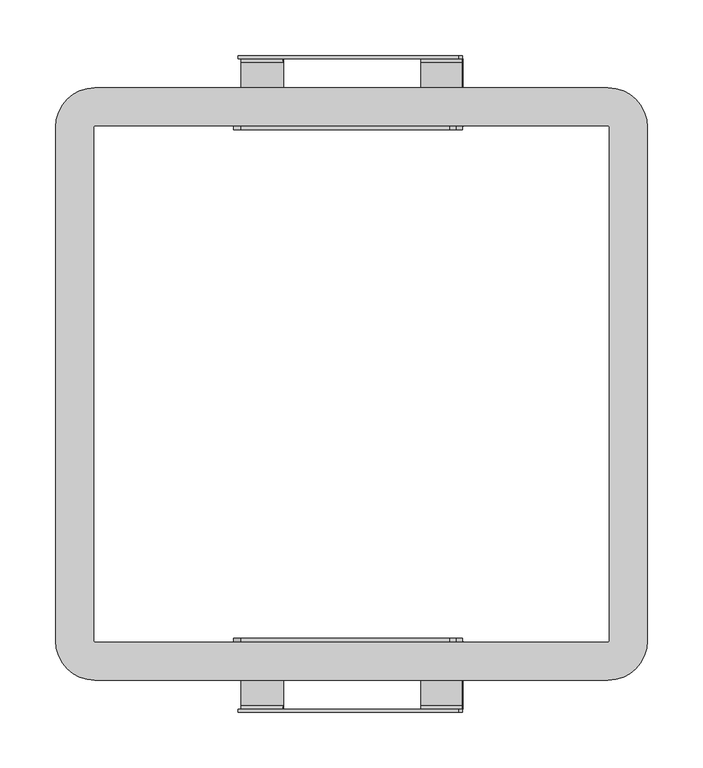
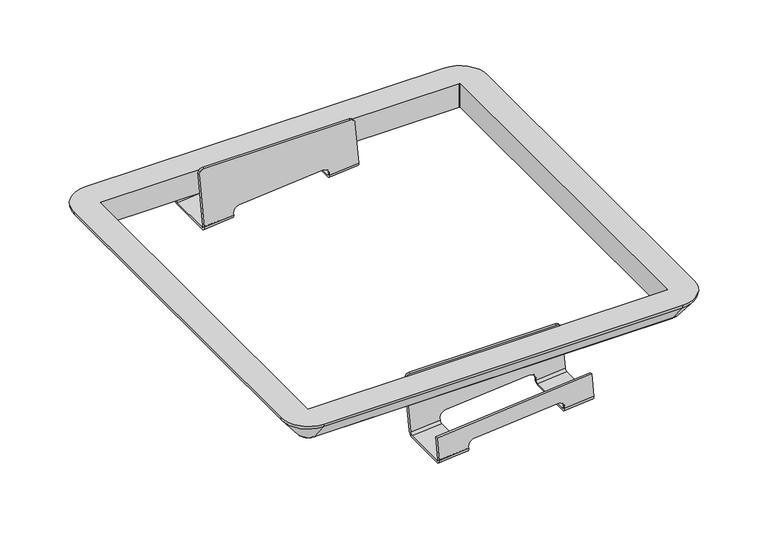
"""IFC4 building model written with IfcOpenShell, lengths in millimetres: furniture geometry."""

from ifc_helpers import new_model, si_unit, point, frame, origin, place, context, project, spatial, polyline, circle_curve, ellipse_curve, trimmed, source, transform, mapped, element, save
from ifc_brep_helpers import plane_surface, cylinder_surface, revolved_surface, advanced_brep


def furniture_f0aaba3b(model_context):
    return source(origin(), model_context, "Body", "AdvancedBrep", [
        advanced_brep(
        [(-99.561086, -229.0116028, 326.2126732), (-99.0151124, -235.1610457, 320.0875151), (-99.0151124, -289.6314491, 320.0875151), (-99.561086, -295.7808921, 326.2126732), (-102.3818784, -295.7808921, 357.858521), (-102.3818784, -292.8043296, 357.858521), (-99.561086, -292.8043296, 326.2126732), (-99.2793842, -289.6314491, 323.0523228), (-99.2793842, -235.1610457, 323.0523228), (-99.561086, -231.9881653, 326.2126732), (-105.5507405, -231.9881653, 393.4092857), (-106.1570643, -231.9881653, 400.2114981), (-106.1570643, -229.0116028, 400.2114981), (-105.5507405, -229.0116028, 393.4092857), (99.8023989, -231.9881653, 343.9831879), (100.0841007, -235.1610457, 340.8228375), (100.0841007, -289.6314491, 340.8228375), (99.8023989, -292.8043296, 343.9831879), (96.9816065, -292.8043296, 375.6290357), (96.9816065, -295.7808921, 375.6290357), (99.8023989, -295.7808921, 343.9831879), (100.3483725, -289.6314491, 337.8580298), (100.3483725, -235.1610457, 337.8580298), (99.8023989, -229.0116028, 343.9831879), (94.7740669, -229.0116028, 400.3949356), (94.6813995, -229.0116028, 401.4345508), (94.6813995, -231.9881653, 401.4345508), (94.7740669, -231.9881653, 400.3949356), (-61.6843038, -229.0116028, 329.5888678), (-61.1383301, -235.1610457, 323.4637097), (63.0613796, -235.1610457, 334.5344069), (62.515406, -229.0116028, 340.659565), (-61.1383301, -289.6314491, 323.4637097), (63.0613796, -289.6314491, 334.5344069), (-61.6843038, -295.7808921, 329.5888678), (62.515406, -295.7808921, 340.659565), (-61.964246, -295.7808921, 332.729478), (-53.4084791, -295.7808921, 341.2852449), (52.5771576, -295.7808921, 350.7324078), (62.2193576, -295.7808921, 343.9808667), (62.515406, -292.8043296, 340.659565), (62.2193576, -292.8043296, 343.9808667), (52.5771576, -292.8043296, 350.7324078), (-53.4084791, -292.8043296, 341.2852449), (-61.964246, -292.8043296, 332.729478), (-61.6843038, -292.8043296, 329.5888678), (-61.4026019, -289.6314491, 326.4285174), (62.7971078, -289.6314491, 337.4992146), (-61.4026019, -235.1610457, 326.4285174), (62.7971078, -235.1610457, 337.4992146), (-61.6843038, -231.9881653, 329.5888678), (62.515406, -231.9881653, 340.659565), (-61.964246, -231.9881653, 332.729478), (-53.4084791, -231.9881653, 341.2852449), (52.5771576, -231.9881653, 350.7324078), (62.2193576, -231.9881653, 343.9808667), (88.8961265, -231.9881653, 406.272876), (-100.0956864, -231.9881653, 406.272876), (-100.0956864, -229.0116028, 406.272876), (88.8961265, -229.0116028, 406.272876), (62.2193576, -229.0116028, 343.9808667), (52.5771576, -229.0116028, 350.7324078), (-53.4084791, -229.0116028, 341.2852449), (-61.964246, -229.0116028, 332.729478)],
        [
            (0, 1, circle_curve(frame((-99.561086, -235.1610457, 326.2126732), z_axis=(-0.996050880990544, 0.0, -0.08878424678940125), x_axis=(0.0, -1.0, 0.0)), 6.149443)),
            (1, 2),
            (2, 3, circle_curve(frame((-99.561086, -289.6314491, 326.2126732), z_axis=(-0.996050880990544, 0.0, -0.08878424678940125), x_axis=(0.0, 1.0, 0.0)), 6.149443)),
            (3, 4),
            (4, 5),
            (5, 6),
            (6, 7, circle_curve(frame((-99.561086, -289.6314491, 326.2126732), z_axis=(0.996050880990544, 0.0, 0.08878424678940125), x_axis=(0.0, 1.0, 0.0)), 3.1728805)),
            (7, 8),
            (8, 9, circle_curve(frame((-99.561086, -235.1610457, 326.2126732), z_axis=(0.996050880990544, 0.0, 0.08878424678940125), x_axis=(0.0, -1.0, 0.0)), 3.1728805)),
            (9, 10),
            (10, 11),
            (11, 12),
            (12, 13),
            (13, 0),
            (14, 15, circle_curve(frame((99.8023989, -235.1610457, 343.9831879), z_axis=(-0.996050880990544, 0.0, -0.08878424678940125), x_axis=(0.0, -1.0, 0.0)), 3.1728805)),
            (15, 16),
            (16, 17, circle_curve(frame((99.8023989, -289.6314491, 343.9831879), z_axis=(-0.996050880990544, 0.0, -0.08878424678940125), x_axis=(0.0, 1.0, 0.0)), 3.1728805)),
            (17, 18),
            (18, 19),
            (19, 20),
            (20, 21, circle_curve(frame((99.8023989, -289.6314491, 343.9831879), z_axis=(0.996050880990544, 0.0, 0.08878424678940125), x_axis=(0.0, 1.0, 0.0)), 6.149443)),
            (21, 22),
            (22, 23, circle_curve(frame((99.8023989, -235.1610457, 343.9831879), z_axis=(0.996050880990544, 0.0, 0.08878424678940125), x_axis=(0.0, -1.0, 0.0)), 6.149443)),
            (23, 24),
            (24, 25),
            (25, 26),
            (26, 27),
            (27, 14),
            (0, 28),
            (28, 29, circle_curve(frame((-61.6843038, -235.1610457, 329.5888678), z_axis=(-0.996050880990544, 0.0, -0.08878424678940125), x_axis=(0.0, -1.0, 0.0)), 6.149443)),
            (29, 1),
            (22, 30),
            (30, 31, circle_curve(frame((62.515406, -235.1610457, 340.659565), z_axis=(0.996050880990544, 0.0, 0.08878424678940125), x_axis=(0.0, -1.0, 0.0)), 6.149443)),
            (31, 23),
            (29, 32),
            (32, 2),
            (21, 33),
            (33, 30),
            (32, 34, circle_curve(frame((-61.6843038, -289.6314491, 329.5888678), z_axis=(-0.996050880990544, 0.0, -0.08878424678940125), x_axis=(0.0, 1.0, 0.0)), 6.149443)),
            (34, 3),
            (20, 35),
            (35, 33, circle_curve(frame((62.515406, -289.6314491, 340.659565), z_axis=(0.996050880990544, 0.0, 0.08878424678940125), x_axis=(0.0, 1.0, 0.0)), 6.149443)),
            (34, 36),
            (36, 37, circle_curve(frame((-53.4084791, -295.7808921, 332.729478), z_axis=(0.0, 1.0, 0.0), x_axis=(1.0, 0.0, 0.0)), 8.5557669)),
            (37, 38),
            (38, 39, circle_curve(frame((53.3885021, -295.7808921, 341.6301129), z_axis=(0.0, 1.0, 0.0), x_axis=(1.0, 0.0, 0.0)), 9.1383834)),
            (39, 35),
            (19, 4),
            (18, 5),
            (17, 40),
            (40, 41),
            (41, 42, circle_curve(frame((53.3885021, -292.8043296, 341.6301129), z_axis=(0.0, -1.0, 0.0), x_axis=(1.0, 0.0, 0.0)), 9.1383834)),
            (42, 43),
            (43, 44, circle_curve(frame((-53.4084791, -292.8043296, 332.729478), z_axis=(0.0, -1.0, 0.0), x_axis=(1.0, 0.0, 0.0)), 8.5557669)),
            (44, 45),
            (45, 6),
            (45, 46, circle_curve(frame((-61.6843038, -289.6314491, 329.5888678), z_axis=(0.996050880990544, 0.0, 0.08878424678940125), x_axis=(0.0, 1.0, 0.0)), 3.1728805)),
            (46, 7),
            (16, 47),
            (47, 40, circle_curve(frame((62.515406, -289.6314491, 340.659565), z_axis=(-0.996050880990544, 0.0, -0.08878424678940125), x_axis=(0.0, 1.0, 0.0)), 3.1728805)),
            (46, 48),
            (48, 8),
            (15, 49),
            (49, 47),
            (48, 50, circle_curve(frame((-61.6843038, -235.1610457, 329.5888678), z_axis=(0.996050880990544, 0.0, 0.08878424678940125), x_axis=(0.0, -1.0, 0.0)), 3.1728805)),
            (50, 9),
            (14, 51),
            (51, 49, circle_curve(frame((62.515406, -235.1610457, 340.659565), z_axis=(-0.996050880990544, 0.0, -0.08878424678940125), x_axis=(0.0, -1.0, 0.0)), 3.1728805)),
            (50, 52),
            (52, 53, circle_curve(frame((-53.4084791, -231.9881653, 332.729478), z_axis=(0.0, 1.0, 0.0), x_axis=(1.0, 0.0, 0.0)), 8.5557669)),
            (53, 54),
            (54, 55, circle_curve(frame((53.3885021, -231.9881653, 341.6301129), z_axis=(0.0, 1.0, 0.0), x_axis=(1.0, 0.0, 0.0)), 9.1383834)),
            (55, 51),
            (26, 56, circle_curve(frame((88.8961265, -231.9881653, 400.3949356), z_axis=(0.0, -1.0, 0.0), x_axis=(1.0, 0.0, 0.0)), 5.8779404)),
            (56, 57),
            (57, 11, circle_curve(frame((-100.0956864, -231.9881653, 400.2114981), z_axis=(0.0, -1.0, 0.0), x_axis=(1.0, 0.0, 0.0)), 6.0613779)),
            (12, 58, circle_curve(frame((-100.0956864, -229.0116028, 400.2114981), z_axis=(0.0, 1.0, 0.0), x_axis=(1.0, 0.0, 0.0)), 6.0613779)),
            (58, 59),
            (59, 25, circle_curve(frame((88.8961265, -229.0116028, 400.3949356), z_axis=(0.0, 1.0, 0.0), x_axis=(1.0, 0.0, 0.0)), 5.8779404)),
            (31, 60),
            (60, 61, circle_curve(frame((53.3885021, -229.0116028, 341.6301129), z_axis=(0.0, -1.0, 0.0), x_axis=(1.0, 0.0, 0.0)), 9.1383834)),
            (61, 62),
            (62, 63, circle_curve(frame((-53.4084791, -229.0116028, 332.729478), z_axis=(0.0, -1.0, 0.0), x_axis=(1.0, 0.0, 0.0)), 8.5557669)),
            (63, 28),
            (59, 56),
            (57, 58),
            (44, 36),
            (63, 52),
            (39, 41),
            (55, 60),
            (38, 42),
            (54, 61),
            (37, 43),
            (53, 62),
        ],
        [
            plane_surface(frame((-99.561086, -241.3104887, 326.2126732), z_axis=(-0.996050880990544, 0.0, -0.08878424678940126), x_axis=(-0.08878424678940126, 0.0, 0.996050880990544))),
            plane_surface(frame((99.8023989, -241.3104887, 343.9831879), z_axis=(0.996050880990544, 0.0, 0.08878424678940126), x_axis=(0.08878424678940126, 0.0, -0.996050880990544))),
            cylinder_surface(frame((99.8023989, -235.1610457, 343.9831879), z_axis=(-0.996050880990544, 0.0, -0.08878424678940125), x_axis=(0.0, -1.0, 0.0)), 6.149443),
            plane_surface(frame((-99.0151124, -235.1610457, 320.0875151), z_axis=(0.08878424678940118, 0.0, -0.9960508809905441), x_axis=(0.9960508809905441, 0.0, 0.08878424678940118))),
            cylinder_surface(frame((99.8023989, -289.6314491, 343.9831879), z_axis=(-0.996050880990544, 0.0, -0.08878424678940125), x_axis=(0.0, 1.0, 0.0)), 6.149443),
            plane_surface(frame((-99.561086, -295.7808921, 326.2126732), z_axis=(0.0, -1.0000000000000002, 0.0), x_axis=(0.9960508809905441, 0.0, 0.08878424678940118))),
            plane_surface(frame((-102.3818784, -295.7808921, 357.858521), z_axis=(-0.08878424678940118, 0.0, 0.9960508809905441), x_axis=(0.9960508809905441, 0.0, 0.08878424678940118))),
            plane_surface(frame((-102.3818784, -292.8043296, 357.858521), z_axis=(0.0, 1.0000000000000002, 0.0), x_axis=(0.9960508809905441, 0.0, 0.08878424678940118))),
            revolved_surface(polyline([(-61.684303700223396, -286.4585686, 329.58886775984143), (-99.56108600185827, -286.4585686, 326.2126731781826)]), (99.8023989, -289.6314491, 343.9831879), (0.996050880990544, 0.0, 0.08878424678940125)),
            revolved_surface(polyline([(99.8023989, -286.4585686, 343.9831879), (62.51540600173543, -286.4585686, 340.6595649378658)]), (99.8023989, -289.6314491, 343.9831879), (0.996050880990544, 0.0, 0.08878424678940125)),
            plane_surface(frame((-99.2793842, -289.6314491, 323.0523228), z_axis=(-0.08878424678940118, 0.0, 0.9960508809905441), x_axis=(0.9960508809905441, 0.0, 0.08878424678940118))),
            revolved_surface(polyline([(-61.684303700223396, -238.33392619999998, 329.58886775984143), (-99.56108600185827, -238.33392619999998, 326.2126731781826)]), (99.8023989, -235.1610457, 343.9831879), (0.996050880990544, 0.0, 0.08878424678940125)),
            revolved_surface(polyline([(99.8023989, -238.33392619999998, 343.9831879), (62.51540600173543, -238.33392619999998, 340.6595649378658)]), (99.8023989, -235.1610457, 343.9831879), (0.996050880990544, 0.0, 0.08878424678940125)),
            plane_surface(frame((-99.561086, -231.9881653, 326.2126732), z_axis=(0.0, -1.0000000000000002, 0.0), x_axis=(0.9960508809905441, 0.0, 0.08878424678940118))),
            plane_surface(frame((-106.7113904, -229.0116028, 406.430361), z_axis=(0.0, 1.0000000000000002, 0.0), x_axis=(0.9960508809905441, 0.0, 0.08878424678940118))),
            cylinder_surface(frame((88.8961265, -183.5045242, 400.3949356), z_axis=(0.0, 1.0, 0.0), x_axis=(1.0, 0.0, 0.0)), 5.8779404),
            cylinder_surface(frame((-100.0956864, -183.5045242, 400.2114981), z_axis=(0.0, 1.0, 0.0), x_axis=(1.0, 0.0, 0.0)), 6.0613779),
            plane_surface(frame((-100.0956864, -307.0963813, 406.272876), z_axis=(0.0, 0.0, 1.0), x_axis=(0.0, 1.0, 0.0))),
            plane_surface(frame((-61.964246, -307.0963813, 332.729478), z_axis=(0.996050880990544, 0.0, 0.0887842467894015), x_axis=(0.0, 1.0, 0.0))),
            plane_surface(frame((63.2415122, -307.0963813, 332.513539), z_axis=(-0.9960508809905438, 0.0, -0.08878424678940192), x_axis=(0.0, 1.0, 0.0))),
            revolved_surface(polyline([(62.5268855, -295.7808921, 341.6301129), (62.5268855, -292.8043296, 341.6301129)]), (53.3885021, -262.411599, 341.6301129), (0.0, -1.0, 0.0)),
            revolved_surface(polyline([(62.5268855, -231.9881653, 341.6301129), (62.5268855, -229.0116028, 341.6301129)]), (53.3885021, -262.411599, 341.6301129), (0.0, -1.0, 0.0)),
            plane_surface(frame((52.5771576, -307.0963813, 350.7324078), z_axis=(0.08878424678940243, 0.0, -0.9960508809905438), x_axis=(0.0, 1.0, 0.0))),
            revolved_surface(polyline([(-44.8527122, -295.7808921, 332.729478), (-44.8527122, -292.8043296, 332.729478)]), (-53.4084791, -262.411599, 332.729478), (0.0, -1.0, 0.0)),
            revolved_surface(polyline([(-44.8527122, -231.9881653, 332.729478), (-44.8527122, -229.0116028, 332.729478)]), (-53.4084791, -262.411599, 332.729478), (0.0, -1.0, 0.0)),
        ],
        [
            (0, [[1, 2, 3, 4, 5, 6, 7, 8, 9, 10, 11, 12, 13, 14]]),
            (1, [[15, 16, 17, 18, 19, 20, 21, 22, 23, 24, 25, 26, 27, 28]]),
            (2, [[-1, 29, 30, 31]]),
            (2, [[-23, 32, 33, 34]]),
            (3, [[-2, -31, 35, 36]]),
            (3, [[-22, 37, 38, -32]]),
            (4, [[-3, -36, 39, 40]]),
            (4, [[-21, 41, 42, -37]]),
            (5, [[-4, -40, 43, 44, 45, 46, 47, -41, -20, 48]]),
            (6, [[-5, -48, -19, 49]]),
            (7, [[-6, -49, -18, 50, 51, 52, 53, 54, 55, 56]]),
            (8, [[-7, -56, 57, 58]]),
            (9, [[-17, 59, 60, -50]]),
            (10, [[-8, -58, 61, 62]]),
            (10, [[-16, 63, 64, -59]]),
            (11, [[-9, -62, 65, 66]]),
            (12, [[-15, 67, 68, -63]]),
            (13, [[-10, -66, 69, 70, 71, 72, 73, -67, -28, -27, 74, 75, 76, -11]]),
            (14, [[-14, -13, 77, 78, 79, -25, -24, -34, 80, 81, 82, 83, 84, -29]]),
            (15, [[85, -74, -26, -79]]),
            (16, [[86, -77, -12, -76]]),
            (17, [[-85, -78, -86, -75]]),
            (18, [[87, -43, -39, -35, -30, -84, 88, -69, -65, -61, -57, -55]]),
            (19, [[89, -51, -60, -64, -68, -73, 90, -80, -33, -38, -42, -47]]),
            (20, [[-89, -46, 91, -52]]),
            (21, [[-90, -72, 92, -81]]),
            (22, [[-91, -45, 93, -53]]),
            (22, [[-92, -71, 94, -82]]),
            (23, [[-87, -54, -93, -44]]),
            (24, [[-88, -83, -94, -70]]),
        ],
    ),
        advanced_brep(
        [(-99.561086, 229.0116028, 326.2126732), (-105.5507405, 229.0116028, 393.4092857), (-106.1570643, 229.0116028, 400.2114981), (-106.1570643, 231.9881653, 400.2114981), (-105.5507405, 231.9881653, 393.4092857), (-99.561086, 231.9881653, 326.2126732), (-99.2793842, 235.1610457, 323.0523228), (-99.2793842, 289.6314491, 323.0523228), (-99.561086, 292.8043296, 326.2126732), (-102.3818784, 292.8043296, 357.858521), (-102.3818784, 295.7808921, 357.858521), (-99.561086, 295.7808921, 326.2126732), (-99.0151124, 289.6314491, 320.0875151), (-99.0151124, 235.1610457, 320.0875151), (99.8023989, 231.9881653, 343.9831879), (94.7740669, 231.9881653, 400.3949356), (94.6813995, 231.9881653, 401.4345508), (94.6813995, 229.0116028, 401.4345508), (94.7740669, 229.0116028, 400.3949356), (99.8023989, 229.0116028, 343.9831879), (100.3483725, 235.1610457, 337.8580298), (100.3483725, 289.6314491, 337.8580298), (99.8023989, 295.7808921, 343.9831879), (96.9816065, 295.7808921, 375.6290357), (96.9816065, 292.8043296, 375.6290357), (99.8023989, 292.8043296, 343.9831879), (100.0841007, 289.6314491, 340.8228375), (100.0841007, 235.1610457, 340.8228375), (62.515406, 229.0116028, 340.659565), (63.0613796, 235.1610457, 334.5344069), (-61.1383301, 235.1610457, 323.4637097), (-61.6843038, 229.0116028, 329.5888678), (63.0613796, 289.6314491, 334.5344069), (-61.1383301, 289.6314491, 323.4637097), (62.515406, 295.7808921, 340.659565), (-61.6843038, 295.7808921, 329.5888678), (62.2193576, 295.7808921, 343.9808667), (52.5771576, 295.7808921, 350.7324078), (-53.4084791, 295.7808921, 341.2852449), (-61.964246, 295.7808921, 332.729478), (-61.6843038, 292.8043296, 329.5888678), (-61.964246, 292.8043296, 332.729478), (-53.4084791, 292.8043296, 341.2852449), (52.5771576, 292.8043296, 350.7324078), (62.2193576, 292.8043296, 343.9808667), (62.515406, 292.8043296, 340.659565), (62.7971078, 289.6314491, 337.4992146), (-61.4026019, 289.6314491, 326.4285174), (62.7971078, 235.1610457, 337.4992146), (-61.4026019, 235.1610457, 326.4285174), (62.515406, 231.9881653, 340.659565), (-61.6843038, 231.9881653, 329.5888678), (-100.0956864, 231.9881653, 406.272876), (88.8961265, 231.9881653, 406.272876), (62.2193576, 231.9881653, 343.9808667), (52.5771576, 231.9881653, 350.7324078), (-53.4084791, 231.9881653, 341.2852449), (-61.964246, 231.9881653, 332.729478), (-61.964246, 229.0116028, 332.729478), (-53.4084791, 229.0116028, 341.2852449), (52.5771576, 229.0116028, 350.7324078), (62.2193576, 229.0116028, 343.9808667), (88.8961265, 229.0116028, 406.272876), (-100.0956864, 229.0116028, 406.272876)],
        [
            (0, 1),
            (1, 2),
            (2, 3),
            (3, 4),
            (4, 5),
            (5, 6, circle_curve(frame((-99.561086, 235.1610457, 326.2126732), z_axis=(0.996050880990544, 0.0, 0.08878424678940125), x_axis=(0.0, 1.0, 0.0)), 3.1728805)),
            (6, 7),
            (7, 8, circle_curve(frame((-99.561086, 289.6314491, 326.2126732), z_axis=(0.996050880990544, 0.0, 0.08878424678940125), x_axis=(0.0, -1.0, 0.0)), 3.1728805)),
            (8, 9),
            (9, 10),
            (10, 11),
            (11, 12, circle_curve(frame((-99.561086, 289.6314491, 326.2126732), z_axis=(-0.996050880990544, 0.0, -0.08878424678940125), x_axis=(0.0, -1.0, 0.0)), 6.149443)),
            (12, 13),
            (13, 0, circle_curve(frame((-99.561086, 235.1610457, 326.2126732), z_axis=(-0.996050880990544, 0.0, -0.08878424678940125), x_axis=(0.0, 1.0, 0.0)), 6.149443)),
            (14, 15),
            (15, 16),
            (16, 17),
            (17, 18),
            (18, 19),
            (19, 20, circle_curve(frame((99.8023989, 235.1610457, 343.9831879), z_axis=(0.996050880990544, 0.0, 0.08878424678940125), x_axis=(0.0, 1.0, 0.0)), 6.149443)),
            (20, 21),
            (21, 22, circle_curve(frame((99.8023989, 289.6314491, 343.9831879), z_axis=(0.996050880990544, 0.0, 0.08878424678940125), x_axis=(0.0, -1.0, 0.0)), 6.149443)),
            (22, 23),
            (23, 24),
            (24, 25),
            (25, 26, circle_curve(frame((99.8023989, 289.6314491, 343.9831879), z_axis=(-0.996050880990544, 0.0, -0.08878424678940125), x_axis=(0.0, -1.0, 0.0)), 3.1728805)),
            (26, 27),
            (27, 14, circle_curve(frame((99.8023989, 235.1610457, 343.9831879), z_axis=(-0.996050880990544, 0.0, -0.08878424678940125), x_axis=(0.0, 1.0, 0.0)), 3.1728805)),
            (19, 28),
            (28, 29, circle_curve(frame((62.515406, 235.1610457, 340.659565), z_axis=(0.996050880990544, 0.0, 0.08878424678940125), x_axis=(0.0, 1.0, 0.0)), 6.149443)),
            (29, 20),
            (13, 30),
            (30, 31, circle_curve(frame((-61.6843038, 235.1610457, 329.5888678), z_axis=(-0.996050880990544, 0.0, -0.08878424678940125), x_axis=(0.0, 1.0, 0.0)), 6.149443)),
            (31, 0),
            (29, 32),
            (32, 21),
            (12, 33),
            (33, 30),
            (32, 34, circle_curve(frame((62.515406, 289.6314491, 340.659565), z_axis=(0.996050880990544, 0.0, 0.08878424678940125), x_axis=(0.0, -1.0, 0.0)), 6.149443)),
            (34, 22),
            (11, 35),
            (35, 33, circle_curve(frame((-61.6843038, 289.6314491, 329.5888678), z_axis=(-0.996050880990544, 0.0, -0.08878424678940125), x_axis=(0.0, -1.0, 0.0)), 6.149443)),
            (10, 23),
            (34, 36),
            (36, 37, circle_curve(frame((53.3885021, 295.7808921, 341.6301129), z_axis=(0.0, -1.0, 0.0), x_axis=(1.0, 0.0, 0.0)), 9.1383834)),
            (37, 38),
            (38, 39, circle_curve(frame((-53.4084791, 295.7808921, 332.729478), z_axis=(0.0, -1.0, 0.0), x_axis=(1.0, 0.0, 0.0)), 8.5557669)),
            (39, 35),
            (9, 24),
            (8, 40),
            (40, 41),
            (41, 42, circle_curve(frame((-53.4084791, 292.8043296, 332.729478), z_axis=(0.0, 1.0, 0.0), x_axis=(1.0, 0.0, 0.0)), 8.5557669)),
            (42, 43),
            (43, 44, circle_curve(frame((53.3885021, 292.8043296, 341.6301129), z_axis=(0.0, 1.0, 0.0), x_axis=(1.0, 0.0, 0.0)), 9.1383834)),
            (44, 45),
            (45, 25),
            (45, 46, circle_curve(frame((62.515406, 289.6314491, 340.659565), z_axis=(-0.996050880990544, 0.0, -0.08878424678940125), x_axis=(0.0, -1.0, 0.0)), 3.1728805)),
            (46, 26),
            (7, 47),
            (47, 40, circle_curve(frame((-61.6843038, 289.6314491, 329.5888678), z_axis=(0.996050880990544, 0.0, 0.08878424678940125), x_axis=(0.0, -1.0, 0.0)), 3.1728805)),
            (46, 48),
            (48, 27),
            (6, 49),
            (49, 47),
            (48, 50, circle_curve(frame((62.515406, 235.1610457, 340.659565), z_axis=(-0.996050880990544, 0.0, -0.08878424678940125), x_axis=(0.0, 1.0, 0.0)), 3.1728805)),
            (50, 14),
            (5, 51),
            (51, 49, circle_curve(frame((-61.6843038, 235.1610457, 329.5888678), z_axis=(0.996050880990544, 0.0, 0.08878424678940125), x_axis=(0.0, 1.0, 0.0)), 3.1728805)),
            (3, 52, circle_curve(frame((-100.0956864, 231.9881653, 400.2114981), z_axis=(0.0, 1.0, 0.0), x_axis=(1.0, 0.0, 0.0)), 6.0613779)),
            (52, 53),
            (53, 16, circle_curve(frame((88.8961265, 231.9881653, 400.3949356), z_axis=(0.0, 1.0, 0.0), x_axis=(1.0, 0.0, 0.0)), 5.8779404)),
            (50, 54),
            (54, 55, circle_curve(frame((53.3885021, 231.9881653, 341.6301129), z_axis=(0.0, -1.0, 0.0), x_axis=(1.0, 0.0, 0.0)), 9.1383834)),
            (55, 56),
            (56, 57, circle_curve(frame((-53.4084791, 231.9881653, 332.729478), z_axis=(0.0, -1.0, 0.0), x_axis=(1.0, 0.0, 0.0)), 8.5557669)),
            (57, 51),
            (31, 58),
            (58, 59, circle_curve(frame((-53.4084791, 229.0116028, 332.729478), z_axis=(0.0, 1.0, 0.0), x_axis=(1.0, 0.0, 0.0)), 8.5557669)),
            (59, 60),
            (60, 61, circle_curve(frame((53.3885021, 229.0116028, 341.6301129), z_axis=(0.0, 1.0, 0.0), x_axis=(1.0, 0.0, 0.0)), 9.1383834)),
            (61, 28),
            (17, 62, circle_curve(frame((88.8961265, 229.0116028, 400.3949356), z_axis=(0.0, -1.0, 0.0), x_axis=(1.0, 0.0, 0.0)), 5.8779404)),
            (62, 63),
            (63, 2, circle_curve(frame((-100.0956864, 229.0116028, 400.2114981), z_axis=(0.0, -1.0, 0.0), x_axis=(1.0, 0.0, 0.0)), 6.0613779)),
            (53, 62),
            (63, 52),
            (57, 58),
            (39, 41),
            (61, 54),
            (44, 36),
            (43, 37),
            (60, 55),
            (42, 38),
            (59, 56),
        ],
        [
            plane_surface(frame((-99.561086, 241.3104887, 326.2126732), z_axis=(-0.996050880990544, 0.0, -0.08878424678940126), x_axis=(-0.08878424678940126, 0.0, 0.996050880990544))),
            plane_surface(frame((99.8023989, 241.3104887, 343.9831879), z_axis=(0.996050880990544, 0.0, 0.08878424678940126), x_axis=(0.08878424678940126, 0.0, -0.996050880990544))),
            cylinder_surface(frame((99.8023989, 235.1610457, 343.9831879), z_axis=(-0.996050880990544, 0.0, -0.08878424678940125), x_axis=(0.0, 1.0, 0.0)), 6.149443),
            plane_surface(frame((-99.0151124, 235.1610457, 320.0875151), z_axis=(0.08878424678940118, 0.0, -0.9960508809905441), x_axis=(0.9960508809905441, 0.0, 0.08878424678940118))),
            cylinder_surface(frame((99.8023989, 289.6314491, 343.9831879), z_axis=(-0.996050880990544, 0.0, -0.08878424678940125), x_axis=(0.0, -1.0, 0.0)), 6.149443),
            plane_surface(frame((-99.561086, 295.7808921, 326.2126732), z_axis=(0.0, 1.0000000000000002, 0.0), x_axis=(0.9960508809905441, 0.0, 0.08878424678940118))),
            plane_surface(frame((-102.3818784, 295.7808921, 357.858521), z_axis=(-0.08878424678940118, 0.0, 0.9960508809905441), x_axis=(0.9960508809905441, 0.0, 0.08878424678940118))),
            plane_surface(frame((-102.3818784, 292.8043296, 357.858521), z_axis=(0.0, -1.0000000000000002, 0.0), x_axis=(0.9960508809905441, 0.0, 0.08878424678940118))),
            revolved_surface(polyline([(99.8023989, 286.4585686, 343.9831879), (62.51540600173543, 286.4585686, 340.6595649378658)]), (99.8023989, 289.6314491, 343.9831879), (0.996050880990544, 0.0, 0.08878424678940125)),
            revolved_surface(polyline([(-61.684303700223396, 286.4585686, 329.58886775984143), (-99.56108600185827, 286.4585686, 326.2126731781826)]), (99.8023989, 289.6314491, 343.9831879), (0.996050880990544, 0.0, 0.08878424678940125)),
            plane_surface(frame((-99.2793842, 289.6314491, 323.0523228), z_axis=(-0.08878424678940118, 0.0, 0.9960508809905441), x_axis=(0.9960508809905441, 0.0, 0.08878424678940118))),
            revolved_surface(polyline([(99.8023989, 238.33392619999998, 343.9831879), (62.51540600173543, 238.33392619999998, 340.6595649378658)]), (99.8023989, 235.1610457, 343.9831879), (0.996050880990544, 0.0, 0.08878424678940125)),
            revolved_surface(polyline([(-61.684303700223396, 238.33392619999998, 329.58886775984143), (-99.56108600185827, 238.33392619999998, 326.2126731781826)]), (99.8023989, 235.1610457, 343.9831879), (0.996050880990544, 0.0, 0.08878424678940125)),
            plane_surface(frame((-99.561086, 231.9881653, 326.2126732), z_axis=(0.0, 1.0000000000000002, 0.0), x_axis=(0.9960508809905441, 0.0, 0.08878424678940118))),
            plane_surface(frame((-106.7113904, 229.0116028, 406.430361), z_axis=(0.0, -1.0000000000000002, 0.0), x_axis=(0.9960508809905441, 0.0, 0.08878424678940118))),
            cylinder_surface(frame((88.8961265, 183.5045242, 400.3949356), z_axis=(0.0, -1.0, 0.0), x_axis=(1.0, 0.0, 0.0)), 5.8779404),
            cylinder_surface(frame((-100.0956864, 183.5045242, 400.2114981), z_axis=(0.0, -1.0, 0.0), x_axis=(1.0, 0.0, 0.0)), 6.0613779),
            plane_surface(frame((-100.0956864, 307.0963813, 406.272876), z_axis=(0.0, 0.0, 1.0), x_axis=(0.0, -1.0, 0.0))),
            plane_surface(frame((-61.964246, 307.0963813, 332.729478), z_axis=(0.996050880990544, 0.0, 0.0887842467894015), x_axis=(0.0, -1.0, 0.0))),
            plane_surface(frame((63.2415122, 307.0963813, 332.513539), z_axis=(-0.9960508809905438, 0.0, -0.08878424678940192), x_axis=(0.0, -1.0, 0.0))),
            revolved_surface(polyline([(62.5268855, 295.7808921, 341.6301129), (62.5268855, 292.8043296, 341.6301129)]), (53.3885021, 262.411599, 341.6301129), (0.0, 1.0, 0.0)),
            revolved_surface(polyline([(62.5268855, 231.9881653, 341.6301129), (62.5268855, 229.0116028, 341.6301129)]), (53.3885021, 262.411599, 341.6301129), (0.0, 1.0, 0.0)),
            plane_surface(frame((52.5771576, 307.0963813, 350.7324078), z_axis=(0.08878424678940243, 0.0, -0.9960508809905438), x_axis=(0.0, -1.0, 0.0))),
            revolved_surface(polyline([(-44.8527122, 295.7808921, 332.729478), (-44.8527122, 292.8043296, 332.729478)]), (-53.4084791, 262.411599, 332.729478), (0.0, 1.0, 0.0)),
            revolved_surface(polyline([(-44.8527122, 231.9881653, 332.729478), (-44.8527122, 229.0116028, 332.729478)]), (-53.4084791, 262.411599, 332.729478), (0.0, 1.0, 0.0)),
        ],
        [
            (0, [[1, 2, 3, 4, 5, 6, 7, 8, 9, 10, 11, 12, 13, 14]]),
            (1, [[15, 16, 17, 18, 19, 20, 21, 22, 23, 24, 25, 26, 27, 28]]),
            (2, [[29, 30, 31, -20]]),
            (2, [[32, 33, 34, -14]]),
            (3, [[-31, 35, 36, -21]]),
            (3, [[37, 38, -32, -13]]),
            (4, [[-36, 39, 40, -22]]),
            (4, [[41, 42, -37, -12]]),
            (5, [[43, -23, -40, 44, 45, 46, 47, 48, -41, -11]]),
            (6, [[49, -24, -43, -10]]),
            (7, [[50, 51, 52, 53, 54, 55, 56, -25, -49, -9]]),
            (8, [[-56, 57, 58, -26]]),
            (9, [[59, 60, -50, -8]]),
            (10, [[-58, 61, 62, -27]]),
            (10, [[63, 64, -59, -7]]),
            (11, [[-62, 65, 66, -28]]),
            (12, [[67, 68, -63, -6]]),
            (13, [[-4, 69, 70, 71, -16, -15, -66, 72, 73, 74, 75, 76, -67, -5]]),
            (14, [[-34, 77, 78, 79, 80, 81, -29, -19, -18, 82, 83, 84, -2, -1]]),
            (15, [[-82, -17, -71, 85]]),
            (16, [[-69, -3, -84, 86]]),
            (17, [[-70, -86, -83, -85]]),
            (18, [[-51, -60, -64, -68, -76, 87, -77, -33, -38, -42, -48, 88]]),
            (19, [[-44, -39, -35, -30, -81, 89, -72, -65, -61, -57, -55, 90]]),
            (20, [[-54, 91, -45, -90]]),
            (21, [[-80, 92, -73, -89]]),
            (22, [[-53, 93, -46, -91]]),
            (22, [[-79, 94, -74, -92]]),
            (23, [[-47, -93, -52, -88]]),
            (24, [[-75, -94, -78, -87]]),
        ],
    ),
        advanced_brep(
        [(-265.1221701, 231.2129153, 399.8922808), (-231.2133513, 265.1217341, 399.8922808), (-231.2133513, 244.926443, 374.0892497), (-244.926879, 231.2129153, 374.0892497), (-266.700436, 231.2129153, 404.4319636), (-231.2133513, 266.7, 404.4319636), (-231.9886013, 231.2129153, 372.2007834), (-231.2133513, 231.9881653, 372.2007834), (-231.2133513, 231.9881653, 404.4319636), (-231.9886013, 231.2129153, 404.4319636), (-231.2133513, 241.5172742, 372.2007834), (-241.5177102, 231.2129153, 372.2007834), (-244.926879, -231.2129153, 374.0892497), (-265.1221701, -231.2129153, 399.8922808), (-266.700436, -231.2129153, 404.4319636), (-231.9886013, -231.2129153, 404.4319636), (-231.9886013, -231.2129153, 372.2007834), (-241.5177102, -231.2129153, 372.2007834), (-231.2133513, -265.1217341, 399.8922808), (-231.2133513, -244.926443, 374.0892497), (-231.2133513, -266.7, 404.4319636), (-231.2133513, -231.9881653, 372.2007834), (-231.2133513, -231.9881653, 404.4319636), (-231.2133513, -241.5172742, 372.2007834), (231.1790144, -244.926443, 374.0892497), (231.1790144, -265.1217341, 399.8922808), (231.1790144, -266.7, 404.4319636), (231.1790144, -231.9881653, 404.4319636), (231.1790144, -231.9881653, 372.2007834), (231.1790144, -241.5172742, 372.2007834), (265.0878332, -231.2129153, 399.8922808), (244.8925421, -231.2129153, 374.0892497), (266.6660991, -231.2129153, 404.4319636), (231.9542644, -231.2129153, 372.2007834), (231.9542644, -231.2129153, 404.4319636), (241.4833733, -231.2129153, 372.2007834), (244.8925421, 231.2129153, 374.0892497), (265.0878332, 231.2129153, 399.8922808), (266.6660991, 231.2129153, 404.4319636), (231.9542644, 231.2129153, 404.4319636), (231.9542644, 231.2129153, 372.2007834), (241.4833733, 231.2129153, 372.2007834), (231.1790144, 265.1217341, 399.8922808), (231.1790144, 244.926443, 374.0892497), (231.1790144, 266.7, 404.4319636), (231.1790144, 231.9881653, 372.2007834), (231.1790144, 231.9881653, 404.4319636), (231.1790144, 241.5172742, 372.2007834)],
        [
            (0, 1, circle_curve(frame((-231.2133513, 231.2129153, 399.8922808), z_axis=(0.0, 0.0, -1.0), x_axis=(0.0, 1.0, 0.0)), 33.9088189)),
            (1, 2),
            (2, 3, circle_curve(frame((-231.2133513, 231.2129153, 374.0892497), z_axis=(0.0, 0.0, 1.0), x_axis=(0.0, 1.0, 0.0)), 13.7135277)),
            (3, 0),
            (4, 5, circle_curve(frame((-231.2133513, 231.2129153, 404.4319636), z_axis=(0.0, 0.0, -1.0), x_axis=(0.0, 1.0, 0.0)), 35.4870847)),
            (5, 1, circle_curve(frame((-231.2133513, 256.6455855, 405.3832894), z_axis=(-1.0, 0.0, 0.0), x_axis=(0.0, -1.0, 0.0)), 10.0993204)),
            (0, 4, circle_curve(frame((-256.6460215, 231.2129153, 405.3832894), z_axis=(0.0, 1.0, 0.0), x_axis=(1.0, 0.0, 0.0)), 10.0993204)),
            (6, 7, circle_curve(frame((-231.2133513, 231.2129153, 372.2007834), z_axis=(0.0, 0.0, -1.0), x_axis=(0.0, 1.0, 0.0)), 0.77525)),
            (7, 8),
            (8, 9, circle_curve(frame((-231.2133513, 231.2129153, 404.4319636), z_axis=(0.0, 0.0, 1.0), x_axis=(0.0, 1.0, 0.0)), 0.77525)),
            (9, 6),
            (2, 10, circle_curve(frame((-231.2133513, 240.9938201, 377.1672007), z_axis=(-1.0, 0.0, 0.0), x_axis=(0.0, -1.0, 0.0)), 4.9939268)),
            (10, 11, circle_curve(frame((-231.2133513, 231.2129153, 372.2007834), z_axis=(0.0, 0.0, 1.0), x_axis=(0.0, 1.0, 0.0)), 10.3043589)),
            (11, 3, circle_curve(frame((-240.9942561, 231.2129153, 377.1672007), z_axis=(0.0, 1.0, 0.0), x_axis=(1.0, 0.0, 0.0)), 4.9939268)),
            (3, 12),
            (12, 13),
            (13, 0),
            (13, 14, circle_curve(frame((-256.6460215, -231.2129153, 405.3832894), z_axis=(0.0, 1.0, 0.0), x_axis=(1.0, 0.0, 0.0)), 10.0993204)),
            (14, 4),
            (9, 15),
            (15, 16),
            (16, 6),
            (11, 17),
            (17, 12, circle_curve(frame((-240.9942561, -231.2129153, 377.1672007), z_axis=(0.0, 1.0, 0.0), x_axis=(1.0, 0.0, 0.0)), 4.9939268)),
            (18, 13, circle_curve(frame((-231.2133513, -231.2129153, 399.8922808), z_axis=(0.0, 0.0, -1.0), x_axis=(-1.0, 0.0, 0.0)), 33.9088189)),
            (12, 19, circle_curve(frame((-231.2133513, -231.2129153, 374.0892497), z_axis=(0.0, 0.0, 1.0), x_axis=(-1.0, 0.0, 0.0)), 13.7135277)),
            (19, 18),
            (20, 14, circle_curve(frame((-231.2133513, -231.2129153, 404.4319636), z_axis=(0.0, 0.0, -1.0), x_axis=(-1.0, 0.0, 0.0)), 35.4870847)),
            (18, 20, circle_curve(frame((-231.2133513, -256.6455855, 405.3832894), z_axis=(-1.0, 0.0, 0.0), x_axis=(0.0, 1.0, 0.0)), 10.0993204)),
            (21, 16, circle_curve(frame((-231.2133513, -231.2129153, 372.2007834), z_axis=(0.0, 0.0, -1.0), x_axis=(-1.0, 0.0, 0.0)), 0.77525)),
            (15, 22, circle_curve(frame((-231.2133513, -231.2129153, 404.4319636), z_axis=(0.0, 0.0, 1.0), x_axis=(-1.0, 0.0, 0.0)), 0.77525)),
            (22, 21),
            (17, 23, circle_curve(frame((-231.2133513, -231.2129153, 372.2007834), z_axis=(0.0, 0.0, 1.0), x_axis=(-1.0, 0.0, 0.0)), 10.3043589)),
            (23, 19, circle_curve(frame((-231.2133513, -240.9938201, 377.1672007), z_axis=(-1.0, 0.0, 0.0), x_axis=(0.0, 1.0, 0.0)), 4.9939268)),
            (19, 24),
            (24, 25),
            (25, 18),
            (25, 26, circle_curve(frame((231.1790144, -256.6455855, 405.3832894), z_axis=(-1.0, 0.0, 0.0), x_axis=(0.0, 1.0, 0.0)), 10.0993204)),
            (26, 20),
            (22, 27),
            (27, 28),
            (28, 21),
            (23, 29),
            (29, 24, circle_curve(frame((231.1790144, -240.9938201, 377.1672007), z_axis=(-1.0, 0.0, 0.0), x_axis=(0.0, 1.0, 0.0)), 4.9939268)),
            (30, 25, circle_curve(frame((231.1790144, -231.2129153, 399.8922808), z_axis=(0.0, 0.0, -1.0), x_axis=(0.0, -1.0, 0.0)), 33.9088189)),
            (24, 31, circle_curve(frame((231.1790144, -231.2129153, 374.0892497), z_axis=(0.0, 0.0, 1.0), x_axis=(0.0, -1.0, 0.0)), 13.7135277)),
            (31, 30),
            (32, 26, circle_curve(frame((231.1790144, -231.2129153, 404.4319636), z_axis=(0.0, 0.0, -1.0), x_axis=(0.0, -1.0, 0.0)), 35.4870847)),
            (30, 32, circle_curve(frame((256.6116846, -231.2129153, 405.3832894), z_axis=(-1.6807023120740373e-11, -1.0, 0.0), x_axis=(-1.0, 1.6807023120740373e-11, 0.0)), 10.0993204)),
            (33, 28, circle_curve(frame((231.1790144, -231.2129153, 372.2007834), z_axis=(0.0, 0.0, -1.0), x_axis=(0.0, -1.0, 0.0)), 0.77525)),
            (27, 34, circle_curve(frame((231.1790144, -231.2129153, 404.4319636), z_axis=(0.0, 0.0, 1.0), x_axis=(0.0, -1.0, 0.0)), 0.77525)),
            (34, 33),
            (29, 35, circle_curve(frame((231.1790144, -231.2129153, 372.2007834), z_axis=(0.0, 0.0, 1.0), x_axis=(0.0, -1.0, 0.0)), 10.3043589)),
            (35, 31, circle_curve(frame((240.9599192, -231.2129153, 377.1672007), z_axis=(-1.589775046357237e-11, -1.0, 0.0), x_axis=(-1.0, 1.589775046357237e-11, 0.0)), 4.9939268)),
            (31, 36),
            (36, 37),
            (37, 30),
            (37, 38, circle_curve(frame((256.6116846, 231.2129153, 405.3832894), z_axis=(0.0, -1.0, 0.0), x_axis=(-1.0, 0.0, 0.0)), 10.0993204)),
            (38, 32),
            (34, 39),
            (39, 40),
            (40, 33),
            (35, 41),
            (41, 36, circle_curve(frame((240.9599192, 231.2129153, 377.1672007), z_axis=(0.0, -1.0, 0.0), x_axis=(-1.0, 0.0, 0.0)), 4.9939268)),
            (42, 37, circle_curve(frame((231.1790144, 231.2129153, 399.8922808), z_axis=(0.0, 0.0, -1.0), x_axis=(1.0, 2.4378048327170142e-12, 0.0)), 33.9088189)),
            (36, 43, circle_curve(frame((231.1790144, 231.2129153, 374.0892497), z_axis=(0.0, 0.0, 1.0), x_axis=(1.0, 2.4378048327170142e-12, 0.0)), 13.7135277)),
            (43, 42),
            (44, 38, circle_curve(frame((231.1790144, 231.2129153, 404.4319636), z_axis=(0.0, 0.0, -1.0), x_axis=(1.0, 2.4378048327170142e-12, 0.0)), 35.4870847)),
            (42, 44, circle_curve(frame((231.1790144, 256.6455855, 405.3832894), z_axis=(1.0, 0.0, 0.0), x_axis=(0.0, -1.0, 0.0)), 10.0993204)),
            (45, 40, circle_curve(frame((231.1790144, 231.2129153, 372.2007834), z_axis=(0.0, 0.0, -1.0), x_axis=(1.0, 2.4378048327170142e-12, 0.0)), 0.77525)),
            (39, 46, circle_curve(frame((231.1790144, 231.2129153, 404.4319636), z_axis=(0.0, 0.0, 1.0), x_axis=(1.0, 2.4378048327170142e-12, 0.0)), 0.77525)),
            (46, 45),
            (41, 47, circle_curve(frame((231.1790144, 231.2129153, 372.2007834), z_axis=(0.0, 0.0, 1.0), x_axis=(1.0, 2.4378048327170142e-12, 0.0)), 10.3043589)),
            (47, 43, circle_curve(frame((231.1790144, 240.9938201, 377.1672007), z_axis=(1.0, 0.0, 0.0), x_axis=(0.0, -1.0, 0.0)), 4.9939268)),
            (43, 2),
            (1, 42),
            (5, 44),
            (8, 46),
            (7, 45),
            (10, 47),
        ],
        [
            revolved_surface(polyline([(-231.2133513, 244.926443, 374.0892497), (-231.2133513, 265.1217341, 399.8922808)]), (-231.2133513, 231.2129153, 434.9750121), (0.0, 0.0, 1.0)),
            revolved_surface(trimmed(ellipse_curve(frame((-231.2133513, 256.6455855, 405.3832894), z_axis=(1.0, 0.0, 0.0), x_axis=(0.0, -1.0, 0.0)), 10.0993204, 10.0993204), [point((-231.2133513, 265.1217341, 399.8922808))], [point((-231.2133513, 266.7, 404.4319636))], True, "CARTESIAN"), (-231.2133513, 231.2129153, 434.9750121), (0.0, 0.0, 1.0)),
            revolved_surface(polyline([(-231.2133513, 231.9881653, 404.4319636), (-231.2133513, 231.9881653, 372.2007834)]), (-231.2133513, 231.2129153, 434.9750121), (0.0, 0.0, 1.0)),
            revolved_surface(trimmed(ellipse_curve(frame((-231.2133513, 240.9938201, 377.1672007), z_axis=(1.0, 0.0, 0.0), x_axis=(0.0, -1.0, 0.0)), 4.9939268, 4.9939268), [point((-231.2133513, 241.5172742, 372.2007834))], [point((-231.2133513, 244.926443, 374.0892497))], True, "CARTESIAN"), (-231.2133513, 231.2129153, 434.9750121), (0.0, 0.0, 1.0)),
            plane_surface(frame((-244.926879, 231.2129153, 374.0892497), z_axis=(-0.787481082949186, 0.0, -0.6163388223998042), x_axis=(0.0, -1.0, 0.0))),
            cylinder_surface(frame((-256.6460215, 231.2129153, 405.3832894), z_axis=(0.0, 1.0, 0.0), x_axis=(1.0, 0.0, 0.0)), 10.0993204),
            plane_surface(frame((-231.9886013, 231.2129153, 404.4319636), z_axis=(1.0, 0.0, 0.0), x_axis=(0.0, -1.0, 0.0))),
            cylinder_surface(frame((-240.9942561, 231.2129153, 377.1672007), z_axis=(0.0, 1.0, 0.0), x_axis=(1.0, 0.0, 0.0)), 4.9939268),
            revolved_surface(polyline([(-244.926879, -231.2129153, 374.0892497), (-265.1221701, -231.2129153, 399.8922808)]), (-231.2133513, -231.2129153, 434.9750121), (0.0, 0.0, 1.0)),
            revolved_surface(trimmed(ellipse_curve(frame((-256.6460215, -231.2129153, 405.3832894), z_axis=(0.0, 1.0, 0.0), x_axis=(1.0, 0.0, 0.0)), 10.0993204, 10.0993204), [point((-265.1221701, -231.2129153, 399.8922808))], [point((-266.700436, -231.2129153, 404.4319636))], True, "CARTESIAN"), (-231.2133513, -231.2129153, 434.9750121), (0.0, 0.0, 1.0)),
            revolved_surface(polyline([(-231.9886013, -231.2129153, 404.4319636), (-231.9886013, -231.2129153, 372.2007834)]), (-231.2133513, -231.2129153, 434.9750121), (0.0, 0.0, 1.0)),
            revolved_surface(trimmed(ellipse_curve(frame((-240.9942561, -231.2129153, 377.1672007), z_axis=(0.0, 1.0, 0.0), x_axis=(1.0, 0.0, 0.0)), 4.9939268, 4.9939268), [point((-241.5177102, -231.2129153, 372.2007834))], [point((-244.926879, -231.2129153, 374.0892497))], True, "CARTESIAN"), (-231.2133513, -231.2129153, 434.9750121), (0.0, 0.0, 1.0)),
            plane_surface(frame((-231.2133513, -244.926443, 374.0892497), z_axis=(0.0, -0.787481082949186, -0.6163388223998042), x_axis=(1.0, 0.0, 0.0))),
            cylinder_surface(frame((-231.2133513, -256.6455855, 405.3832894), z_axis=(-1.0, 0.0, 0.0), x_axis=(0.0, 1.0, 0.0)), 10.0993204),
            plane_surface(frame((-231.2133513, -231.9881653, 404.4319636), z_axis=(0.0, 1.0, 0.0), x_axis=(1.0, 0.0, 0.0))),
            cylinder_surface(frame((-231.2133513, -240.9938201, 377.1672007), z_axis=(-1.0, 0.0, 0.0), x_axis=(0.0, 1.0, 0.0)), 4.9939268),
            revolved_surface(polyline([(231.1790144, -244.926443, 374.0892497), (231.1790144, -265.1217341, 399.8922808)]), (231.1790144, -231.2129153, 434.9750121), (0.0, 0.0, 1.0)),
            revolved_surface(trimmed(ellipse_curve(frame((231.1790144, -256.6455855, 405.3832894), z_axis=(-1.0, 0.0, 0.0), x_axis=(0.0, 1.0, 0.0)), 10.0993204, 10.0993204), [point((231.1790144, -265.1217341, 399.8922808))], [point((231.1790144, -266.7, 404.4319636))], True, "CARTESIAN"), (231.1790144, -231.2129153, 434.9750121), (0.0, 0.0, 1.0)),
            revolved_surface(polyline([(231.1790144, -231.9881653, 404.4319636), (231.1790144, -231.9881653, 372.2007834)]), (231.1790144, -231.2129153, 434.9750121), (0.0, 0.0, 1.0)),
            revolved_surface(trimmed(ellipse_curve(frame((231.1790144, -240.9938201, 377.1672007), z_axis=(-1.0, 0.0, 0.0), x_axis=(0.0, 1.0, 0.0)), 4.9939268, 4.9939268), [point((231.1790144, -241.5172742, 372.2007834))], [point((231.1790144, -244.926443, 374.0892497))], True, "CARTESIAN"), (231.1790144, -231.2129153, 434.9750121), (0.0, 0.0, 1.0)),
            plane_surface(frame((244.8925421, -231.2129153, 374.0892497), z_axis=(0.787481082949186, 0.0, -0.6163388223998042), x_axis=(0.0, 1.0, 0.0))),
            cylinder_surface(frame((256.6116846, -231.2129153, 405.3832894), z_axis=(0.0, -1.0, 0.0), x_axis=(-1.0, 0.0, 0.0)), 10.0993204),
            plane_surface(frame((231.9542644, -231.2129153, 404.4319636), z_axis=(-1.0, 0.0, 0.0), x_axis=(0.0, 1.0, 0.0))),
            cylinder_surface(frame((240.9599192, -231.2129153, 377.1672007), z_axis=(0.0, -1.0, 0.0), x_axis=(-1.0, 0.0, 0.0)), 4.9939268),
            revolved_surface(polyline([(244.8925421, 231.2129153, 374.0892497), (265.0878332, 231.2129153, 399.8922808)]), (231.1790144, 231.2129153, 434.9750121), (0.0, 0.0, 1.0)),
            revolved_surface(trimmed(ellipse_curve(frame((256.6116846, 231.2129153, 405.3832894), z_axis=(2.437804832717014e-12, -1.0, 0.0), x_axis=(-1.0, -2.437804832717014e-12, 0.0)), 10.0993204, 10.0993204), [point((265.0878332, 231.2129153, 399.8922808))], [point((266.6660991, 231.2129153, 404.4319636))], True, "CARTESIAN"), (231.1790144, 231.2129153, 434.9750121), (0.0, 0.0, 1.0)),
            revolved_surface(polyline([(231.9542644, 231.21291530000187, 404.4319636), (231.9542644, 231.21291530000187, 372.2007834)]), (231.1790144, 231.2129153, 434.9750121), (0.0, 0.0, 1.0)),
            revolved_surface(trimmed(ellipse_curve(frame((240.9599192, 231.2129153, 377.1672007), z_axis=(2.437804832717014e-12, -1.0, 0.0), x_axis=(-1.0, -2.437804832717014e-12, 0.0)), 4.9939268, 4.9939268), [point((241.4833733, 231.2129153, 372.2007834))], [point((244.8925421, 231.2129153, 374.0892497))], True, "CARTESIAN"), (231.1790144, 231.2129153, 434.9750121), (0.0, 0.0, 1.0)),
            plane_surface(frame((231.1790144, 244.926443, 374.0892497), z_axis=(0.0, 0.787481082949186, -0.6163388223998042), x_axis=(-1.0, 0.0, 0.0))),
            cylinder_surface(frame((231.1790144, 256.6455855, 405.3832894), z_axis=(1.0, 0.0, 0.0), x_axis=(0.0, -1.0, 0.0)), 10.0993204),
            plane_surface(frame((231.1790144, 266.7, 404.4319636), z_axis=(0.0, 0.0, 1.0), x_axis=(-1.0, 0.0, 0.0))),
            plane_surface(frame((231.1790144, 231.9881653, 404.4319636), z_axis=(0.0, -1.0, 0.0), x_axis=(-1.0, 0.0, 0.0))),
            plane_surface(frame((231.1790144, 231.9881653, 372.2007834), z_axis=(0.0, 0.0, -1.0), x_axis=(-1.0, 0.0, 0.0))),
            cylinder_surface(frame((231.1790144, 240.9938201, 377.1672007), z_axis=(1.0, 0.0, 0.0), x_axis=(0.0, -1.0, 0.0)), 4.9939268),
        ],
        [
            (0, [[1, 2, 3, 4]]),
            (1, [[5, 6, -1, 7]]),
            (2, [[8, 9, 10, 11]]),
            (3, [[-3, 12, 13, 14]]),
            (4, [[-4, 15, 16, 17]]),
            (5, [[-7, -17, 18, 19]]),
            (6, [[-11, 20, 21, 22]]),
            (7, [[-14, 23, 24, -15]]),
            (8, [[25, -16, 26, 27]]),
            (9, [[28, -18, -25, 29]]),
            (10, [[30, -21, 31, 32]]),
            (11, [[-26, -24, 33, 34]]),
            (12, [[-27, 35, 36, 37]]),
            (13, [[-29, -37, 38, 39]]),
            (14, [[-32, 40, 41, 42]]),
            (15, [[-34, 43, 44, -35]]),
            (16, [[45, -36, 46, 47]]),
            (17, [[48, -38, -45, 49]]),
            (18, [[50, -41, 51, 52]]),
            (19, [[-46, -44, 53, 54]]),
            (20, [[-47, 55, 56, 57]]),
            (21, [[-49, -57, 58, 59]]),
            (22, [[-52, 60, 61, 62]]),
            (23, [[-54, 63, 64, -55]]),
            (24, [[65, -56, 66, 67]]),
            (25, [[68, -58, -65, 69]]),
            (26, [[70, -61, 71, 72]]),
            (27, [[-66, -64, 73, 74]]),
            (28, [[-67, 75, -2, 76]]),
            (29, [[-69, -76, -6, 77]]),
            (30, [[-59, -68, -77, -5, -19, -28, -39, -48], [78, -71, -60, -51, -40, -31, -20, -10]]),
            (31, [[-72, -78, -9, 79]]),
            (32, [[80, -73, -63, -53, -43, -33, -23, -13], [-62, -70, -79, -8, -22, -30, -42, -50]]),
            (33, [[-74, -80, -12, -75]]),
        ],
    ),
    ])


if __name__ == "__main__":
    model = new_model("IFC4")
    model_context = context("Model", 3, world=origin())
    ifc_project = project(units=[si_unit("LENGTHUNIT", "METRE", prefix="MILLI")], contexts=[model_context])
    site = spatial("IfcSite", under=ifc_project)
    building = spatial("IfcBuilding", under=site)
    placement = place(None, origin())
    furniture_shape = furniture_f0aaba3b(model_context)
    element("IfcFurniture", 1, at=placement, inside=building, context=model_context, shape_type="MappedRepresentation", body=[
        mapped(furniture_shape, transform((0.0, 0.0, 0.0), x_axis=(1.0, 0.0, 0.0), y_axis=(0.0, 1.0, 0.0), z_axis=(0.0, 0.0, 1.0))),
    ])
    save(model, "model.ifc")
